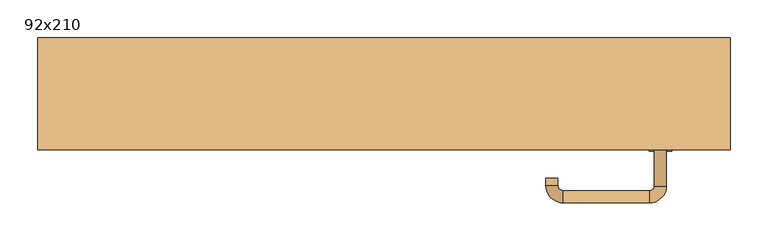
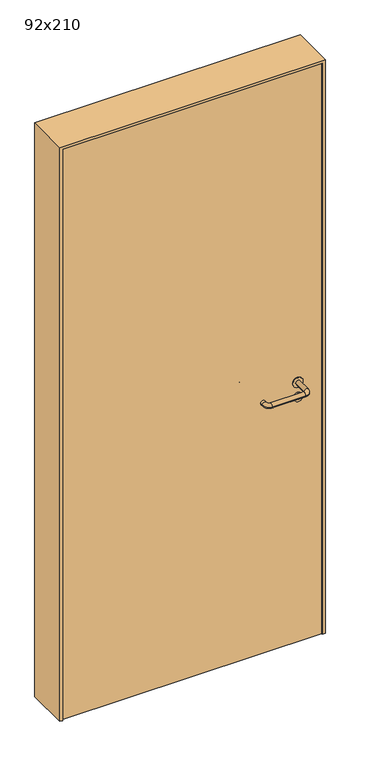
"""IFC4 building model written with IfcOpenShell, lengths in millimetres: door geometry, 92x210."""

import ifcopenshell
import ifcopenshell.guid

model = None  # the IFC model being written
_history = None  # IfcOwnerHistory: only IFC2X3 demands one
_inside = {}  # id of a spatial element -> (the spatial element, [elements in it])
_under = {}  # id of a project, library or spatial element -> (it, [spatial elements below it])
_declared = {}  # id of a project -> (the project, [libraries it declares])
_typed = {}  # id of a type object -> (the type object, [elements of that type])
_made_of = {}  # id of a material, layer set ... -> (it, [elements and type objects made of it])


def new_model(schema):
    """Start an empty IFC model of exactly this schema.

    Asked for "IFC4X3", IfcOpenShell would pick the latest addendum, in which some entities
    have other attributes; the version numbers below select the first issue.
    IFC2X3 requires an IfcOwnerHistory on every rooted entity: one is made here for all.
    """
    global model, _history
    if schema == "IFC4X3":
        model = ifcopenshell.file(schema_version=(4, 3, 0, 0))
    else:
        model = ifcopenshell.file(schema=schema)
    _inside.clear()
    _under.clear()
    _declared.clear()
    _typed.clear()
    _made_of.clear()
    _history = None
    if model.schema == "IFC2X3":
        org = make("IfcOrganization", Name="unknown")
        user = make(
            "IfcPersonAndOrganization",
            ThePerson=make("IfcPerson", FamilyName="unknown"),
            TheOrganization=org,
        )
        app = make(
            "IfcApplication",
            ApplicationDeveloper=org,
            Version="unknown",
            ApplicationFullName="unknown",
            ApplicationIdentifier="unknown",
        )
        _history = make(
            "IfcOwnerHistory",
            OwningUser=user,
            OwningApplication=app,
            ChangeAction="ADDED",
            CreationDate=0,
        )
    return model


def make(cls, **values):
    """One entity of the class cls with the attributes given. An attribute that is None is left unset."""
    return model.create_entity(
        cls, **{name: value for name, value in values.items() if value is not None}
    )


def rooted(cls, **values):
    """An entity with a GlobalId (a new one), such as an element, a storey or a relation."""
    return make(cls, GlobalId=ifcopenshell.guid.new(), OwnerHistory=_history, **values)


def si_unit(unit_type, name, prefix=None):
    """IfcSIUnit, for example si_unit("LENGTHUNIT", "METRE", prefix="MILLI")."""
    return make("IfcSIUnit", UnitType=unit_type, Prefix=prefix, Name=name)


def assignment(units):
    """IfcUnitAssignment: the units of a project."""
    return None if units is None else make("IfcUnitAssignment", Units=units)


def point(xyz):
    """IfcCartesianPoint."""
    return None if xyz is None else make("IfcCartesianPoint", Coordinates=xyz)


def direction(xyz):
    """IfcDirection."""
    return None if xyz is None else make("IfcDirection", DirectionRatios=xyz)


def frame(location, z_axis=None, x_axis=None):
    """IfcAxis2Placement3D, a coordinate frame: its origin and axes. An axis left out is left unset."""
    return make(
        "IfcAxis2Placement3D",
        Location=point(location),
        Axis=direction(z_axis),
        RefDirection=direction(x_axis),
    )


def frame_2d(location, x_axis=None):
    """IfcAxis2Placement2D, a coordinate frame in the plane: its origin and x axis."""
    return make(
        "IfcAxis2Placement2D", Location=point(location), RefDirection=direction(x_axis)
    )


def origin():
    """The frame at (0, 0, 0) with its axes left unset."""
    return frame((0.0, 0.0, 0.0))


def origin_with_axes():
    """The frame at (0, 0, 0) with the z axis (0, 0, 1) and the x axis (1, 0, 0) written out."""
    return frame((0.0, 0.0, 0.0), z_axis=(0.0, 0.0, 1.0), x_axis=(1.0, 0.0, 0.0))


def place(relative_to, where):
    """IfcLocalPlacement: puts the frame where relative to a parent placement (None: the world)."""
    return make(
        "IfcLocalPlacement", PlacementRelTo=relative_to, RelativePlacement=where
    )


def context(
    kind, dimensions, precision=None, world=None, true_north=None, identifier=None
):
    """IfcGeometricRepresentationContext, for example the 3D "Model" context."""
    return make(
        "IfcGeometricRepresentationContext",
        ContextIdentifier=identifier,
        ContextType=kind,
        CoordinateSpaceDimension=dimensions,
        Precision=precision,
        WorldCoordinateSystem=world,
        TrueNorth=true_north,
    )


def project(units=None, contexts=None):
    """IfcProject with its units and contexts."""
    return rooted(
        "IfcProject",
        Name="project",
        RepresentationContexts=contexts,
        UnitsInContext=assignment(units),
    )


def spatial(cls, under=None, at=None, **own):
    """A site, building, storey or space (cls), placed at a placement, below another one or the project."""
    s = rooted(cls, ObjectPlacement=at, **own)
    if under is not None:
        _under.setdefault(under.id(), (under, []))[1].append(s)
    return s


def polyline(points):
    """IfcPolyline through the points."""
    return make("IfcPolyline", Points=[point(p) for p in points])


def circle_curve(where, radius):
    """IfcCircle in the frame where."""
    return make("IfcCircle", Position=where, Radius=radius)


def ellipse_curve(where, semi_axis1, semi_axis2):
    """IfcEllipse in the frame where."""
    return make(
        "IfcEllipse", Position=where, SemiAxis1=semi_axis1, SemiAxis2=semi_axis2
    )


def trimmed(basis, trim1, trim2, sense, master):
    """IfcTrimmedCurve: the piece of a basis curve between two trims."""
    return make(
        "IfcTrimmedCurve",
        BasisCurve=basis,
        Trim1=trim1,
        Trim2=trim2,
        SenseAgreement=sense,
        MasterRepresentation=master,
    )


def segment(curve, same_sense, transition):
    """IfcCompositeCurveSegment."""
    return make(
        "IfcCompositeCurveSegment",
        Transition=transition,
        SameSense=same_sense,
        ParentCurve=curve,
    )


def composite_curve(segments, self_intersect=None):
    """IfcCompositeCurve: segments joined end to end."""
    return make("IfcCompositeCurve", Segments=segments, SelfIntersect=self_intersect)


def outline(outer, holes=None, kind="AREA"):
    """IfcArbitraryClosedProfileDef: a profile drawn as a closed curve; with holes, ...WithVoids."""
    if holes is None:
        return make("IfcArbitraryClosedProfileDef", ProfileType=kind, OuterCurve=outer)
    return make(
        "IfcArbitraryProfileDefWithVoids",
        ProfileType=kind,
        OuterCurve=outer,
        InnerCurves=holes,
    )


def extrude(swept, where, along, depth):
    """IfcExtrudedAreaSolid: the profile swept, set in the frame where, extruded along a direction by depth."""
    return make(
        "IfcExtrudedAreaSolid",
        SweptArea=swept,
        Position=where,
        ExtrudedDirection=direction(along),
        Depth=depth,
    )


def shape(context_of_items, identifier, shape_type, items):
    """IfcShapeRepresentation: the items that make up one representation, for example the "Body"."""
    return make(
        "IfcShapeRepresentation",
        ContextOfItems=context_of_items,
        RepresentationIdentifier=identifier,
        RepresentationType=shape_type,
        Items=items,
    )


def source(mapping_origin, context_of_items, identifier, shape_type, items):
    """IfcRepresentationMap: a shape defined once, which mapped items show again and again."""
    return make(
        "IfcRepresentationMap",
        MappingOrigin=mapping_origin,
        MappedRepresentation=shape(context_of_items, identifier, shape_type, items),
    )


def transform(
    local_origin,
    x_axis=None,
    y_axis=None,
    z_axis=None,
    scale=None,
    scale2=None,
    scale3=None,
    uniform=True,
):
    """IfcCartesianTransformationOperator3D, or its non-uniform kind. x_axis, y_axis, z_axis: its Axis1, 2, 3."""
    if uniform:
        return make(
            "IfcCartesianTransformationOperator3D",
            Axis1=direction(x_axis),
            Axis2=direction(y_axis),
            LocalOrigin=point(local_origin),
            Scale=scale,
            Axis3=direction(z_axis),
        )
    return make(
        "IfcCartesianTransformationOperator3DnonUniform",
        Axis1=direction(x_axis),
        Axis2=direction(y_axis),
        LocalOrigin=point(local_origin),
        Scale=scale,
        Axis3=direction(z_axis),
        Scale2=scale2,
        Scale3=scale3,
    )


def mapped(mapping_source, mapping_target):
    """IfcMappedItem: shows the shape of a source again, moved by a transform."""
    return make(
        "IfcMappedItem", MappingSource=mapping_source, MappingTarget=mapping_target
    )


def made_of(thing, what):
    """Note that an element or type object is made of a material, layer set ...; save() writes the relation."""
    if what is not None:
        _made_of.setdefault(what.id(), (what, []))[1].append(thing)
    return thing


def element(
    cls,
    number,
    at=None,
    inside=None,
    cuts=None,
    type_object=None,
    material=None,
    context=None,
    identifier="Body",
    shape_type=None,
    held_by="IfcProductDefinitionShape",
    body=None,
    shapes=None,
    **own,
):
    """One element of the class cls, such as IfcWall. Its Tag is "e" and its number.

    at: its placement. inside: the storey or other place that contains it. cuts: it is an
    opening in that element (IfcRelVoidsElement). A single representation is given by context,
    identifier, shape_type and body (its items); several are given by shapes. held_by: the class
    of the entity that holds the representations. save() writes the other relations.
    """
    e = rooted(cls, Tag="e%d" % number, ObjectPlacement=at, **own)
    if body is not None:
        shapes = [shape(context, identifier, shape_type, body)]
    if shapes is not None:
        e.Representation = make(held_by, Representations=shapes)
    if inside is not None:
        _inside.setdefault(inside.id(), (inside, []))[1].append(e)
    if cuts is not None:
        rooted(
            "IfcRelVoidsElement", RelatingBuildingElement=cuts, RelatedOpeningElement=e
        )
    if type_object is not None:
        _typed.setdefault(type_object.id(), (type_object, []))[1].append(e)
    return made_of(e, material)


def aggregate(whole, parts):
    """IfcRelAggregates: a whole, such as a stair, and the parts it consists of."""
    return rooted("IfcRelAggregates", RelatingObject=whole, RelatedObjects=parts)


def save(model, path):
    """Write the relations noted so far, then the file.

    IfcRelAggregates (storeys below a building ...), IfcRelContainedInSpatialStructure (elements
    in a storey), IfcRelDefinesByType, IfcRelAssociatesMaterial and IfcRelDeclares: one each for
    every whole, place, type object, material and project.
    """
    for whole, parts in _under.values():
        aggregate(whole, parts)
    for where, things in _inside.values():
        rooted(
            "IfcRelContainedInSpatialStructure",
            RelatedElements=things,
            RelatingStructure=where,
        )
    for kind, things in _typed.values():
        rooted("IfcRelDefinesByType", RelatedObjects=things, RelatingType=kind)
    for what, things in _made_of.values():
        rooted("IfcRelAssociatesMaterial", RelatedObjects=things, RelatingMaterial=what)
    for by, libraries in _declared.values():
        rooted("IfcRelDeclares", RelatingContext=by, RelatedDefinitions=libraries)
    model.write(path)


def plane_surface(at):
    """IfcPlane: the flat surface through the origin of the frame at, square to its z axis."""
    return make("IfcPlane", Position=at)


def cylinder_surface(at, radius):
    """IfcCylindricalSurface: all points at the distance radius from the z axis of the frame at."""
    return make("IfcCylindricalSurface", Position=at, Radius=radius)


def revolved_surface(curve, axis_point, axis_direction):
    """IfcSurfaceOfRevolution: the curve turned about the line through axis_point along axis_direction."""
    return make(
        "IfcSurfaceOfRevolution",
        SweptCurve=make("IfcArbitraryOpenProfileDef", ProfileType="CURVE", Curve=curve),
        AxisPosition=make("IfcAxis1Placement", Location=point(axis_point), Axis=direction(axis_direction)),
    )


def advanced_brep(points, edges, surfaces, faces):
    """IfcAdvancedBrep: a solid bounded by faces that lie on surfaces and meet in shared edges.

    An edge is (start, end): straight between two places in points (the first is 0);
    or (start, end, curve); or (start, end, curve, False) where it runs against its curve.
    A face is (place in surfaces, loops), or (place, loops, False) where it looks against
    its surface's normal. A loop lists edges by number (the first is 1), with a minus sign
    where the edge is run from its end to its start. The first loop is the outer one.
    """
    corners = [point(p) for p in points]
    vertices = [make("IfcVertexPoint", VertexGeometry=c) for c in corners]
    made = []
    for start, end, *more in edges:
        made.append(
            make(
                "IfcEdgeCurve",
                EdgeStart=vertices[start],
                EdgeEnd=vertices[end],
                EdgeGeometry=more[0] if more else make("IfcPolyline", Points=[corners[start], corners[end]]),
                SameSense=more[1] if len(more) > 1 else True,
            )
        )
    hull = []
    for where, loops, *sense in faces:
        bounds = []
        for j, loop in enumerate(loops):
            ring = [make("IfcOrientedEdge", EdgeElement=made[abs(k) - 1], Orientation=k > 0) for k in loop]
            bounds.append(
                make(
                    "IfcFaceOuterBound" if j == 0 else "IfcFaceBound",
                    Bound=make("IfcEdgeLoop", EdgeList=ring),
                    Orientation=True,
                )
            )
        hull.append(make("IfcAdvancedFace", Bounds=bounds, FaceSurface=surfaces[where], SameSense=sense[0] if sense else True))
    return make("IfcAdvancedBrep", Outer=make("IfcClosedShell", CfsFaces=hull))


def door_92x210_9a803c24(model_context):
    return source(origin(), model_context, "Body", "SolidModel", [
        extrude(outline(composite_curve([segment(trimmed(circle_curve(frame_2d((897.3605726, 367.0)), 15.0), [point((897.3605726, 382.0))], [point((897.3605726, 352.0))], False, "CARTESIAN"), True, "CONTINUOUS"), segment(trimmed(circle_curve(frame_2d((897.3605726, 367.0)), 15.0), [point((897.3605726, 352.0))], [point((897.3605726, 382.0))], False, "CARTESIAN"), True, "CONTINUOUS")], self_intersect=False), holes=[composite_curve([segment(trimmed(circle_curve(frame_2d((892.5833211, 366.9398032)), 2.0), [point((892.5833211, 368.9398032))], [point((892.5833211, 364.9398032))], True, "CARTESIAN"), True, "CONTINUOUS"), segment(polyline([(892.5833211, 364.9398032), (902.5833211, 364.9398032)]), True, "CONTINUOUS"), segment(trimmed(circle_curve(frame_2d((902.5833211, 366.9398032)), 2.0), [point((902.5833211, 364.9398032))], [point((902.5833211, 368.9398032))], True, "CARTESIAN"), True, "CONTINUOUS"), segment(polyline([(902.5833211, 368.9398032), (892.5833211, 368.9398032)]), True, "CONTINUOUS")], self_intersect=False)]), frame((0.0, -40.0, 0.0), z_axis=(0.0, 1.0, 0.0), x_axis=(0.0, 0.0, 1.0)), (0.0, 0.0, 1.0), 6.35),
        extrude(outline(composite_curve([segment(trimmed(circle_curve(frame_2d((950.0, 367.0)), 17.526), [point((950.0, 384.526))], [point((950.0, 349.474))], False, "CARTESIAN"), True, "CONTINUOUS"), segment(trimmed(circle_curve(frame_2d((950.0, 367.0)), 17.526), [point((950.0, 349.474))], [point((950.0, 384.526))], False, "CARTESIAN"), True, "CONTINUOUS")], self_intersect=False)), frame((0.0, -40.0, 0.0), z_axis=(0.0, 1.0, 0.0), x_axis=(0.0, 0.0, 1.0)), (0.0, 0.0, 1.0), 3.175),
        advanced_brep(
        [(375.0, -40.0, 950.0), (359.0, -40.0, 950.0), (375.0, 13.0, 950.0), (359.0, 13.0, 950.0), (352.8578644, 19.1421356, 950.0), (352.8578644, 35.1421356, 950.0), (237.8578644, 35.1421356, 950.0), (237.8578644, 19.1421356, 950.0), (231.008622, 12.2928932, 950.0), (215.008622, 12.2928932, 950.0), (215.008622, 2.2928932, 950.0), (231.008622, 2.2928932, 950.0)],
        [
            (0, 1, circle_curve(frame((367.0, -40.0, 950.0), z_axis=(0.0, -1.0, 0.0), x_axis=(-1.0, 0.0, 0.0)), 8.0)),
            (1, 0, circle_curve(frame((367.0, -40.0, 950.0), z_axis=(0.0, -1.0, 0.0), x_axis=(-1.0, 0.0, 0.0)), 8.0)),
            (0, 2),
            (2, 3, circle_curve(frame((367.0, 13.0, 950.0), z_axis=(0.0, -1.0, 0.0), x_axis=(-1.0, 0.0, 0.0)), 8.0)),
            (3, 1),
            (3, 2, circle_curve(frame((367.0, 13.0, 950.0), z_axis=(0.0, -1.0, 0.0), x_axis=(-1.0, 0.0, 0.0)), 8.0)),
            (4, 3, circle_curve(frame((352.8578644, 13.0, 950.0), z_axis=(0.0, 0.0, -1.0), x_axis=(1.0, 0.0, 0.0)), 6.1421356)),
            (2, 5, circle_curve(frame((352.8578644, 13.0, 950.0), z_axis=(0.0, 0.0, 1.0), x_axis=(1.0, 0.0, 0.0)), 22.1421356)),
            (5, 4, circle_curve(frame((352.8578644, 27.1421356, 950.0), z_axis=(1.0, 0.0, 0.0), x_axis=(0.0, -1.0, 0.0)), 8.0)),
            (4, 5, circle_curve(frame((352.8578644, 27.1421356, 950.0), z_axis=(1.0, 0.0, 0.0), x_axis=(0.0, -1.0, 0.0)), 8.0)),
            (5, 6),
            (6, 7, circle_curve(frame((237.8578644, 27.1421356, 950.0), z_axis=(1.0, 0.0, 0.0), x_axis=(0.0, -1.0, 0.0)), 8.0)),
            (7, 4),
            (7, 6, circle_curve(frame((237.8578644, 27.1421356, 950.0), z_axis=(1.0, 0.0, 0.0), x_axis=(0.0, -1.0, 0.0)), 8.0)),
            (8, 7, circle_curve(frame((237.8578644, 12.2928932, 950.0), z_axis=(0.0, 0.0, -1.0), x_axis=(0.0, 1.0, 0.0)), 6.8492424)),
            (6, 9, circle_curve(frame((237.8578644, 12.2928932, 950.0), z_axis=(0.0, 0.0, 1.0), x_axis=(0.0, 1.0, 0.0)), 22.8492424)),
            (9, 8, circle_curve(frame((223.008622, 12.2928932, 950.0), z_axis=(0.0, 1.0, 0.0), x_axis=(1.0, 0.0, 0.0)), 8.0)),
            (8, 9, circle_curve(frame((223.008622, 12.2928932, 950.0), z_axis=(0.0, 1.0, 0.0), x_axis=(1.0, 0.0, 0.0)), 8.0)),
            (10, 11, circle_curve(frame((223.008622, 2.2928932, 950.0), z_axis=(0.0, -1.0, 0.0), x_axis=(1.0, 0.0, 0.0)), 8.0)),
            (11, 10, circle_curve(frame((223.008622, 2.2928932, 950.0), z_axis=(0.0, -1.0, 0.0), x_axis=(1.0, 0.0, 0.0)), 8.0)),
            (9, 10),
            (11, 8),
        ],
        [
            plane_surface(frame((367.0, -40.0, 0.0), z_axis=(0.0, -1.0, 0.0), x_axis=(0.0, 0.0, 1.0))),
            cylinder_surface(frame((367.0, -40.0, 950.0), z_axis=(0.0, -1.0, 0.0), x_axis=(-1.0, 0.0, 0.0)), 8.0),
            revolved_surface(trimmed(ellipse_curve(frame((367.0, 13.0, 950.0), z_axis=(0.0, -1.0, 0.0), x_axis=(-1.0, 0.0, 0.0)), 8.0, 8.0), [point((375.0, 13.0, 950.0))], [point((359.0, 13.0, 950.0))], True, "CARTESIAN"), (352.8578644, 13.0, 0.0), (0.0, 0.0, 1.0)),
            revolved_surface(trimmed(ellipse_curve(frame((367.0, 13.0, 950.0), z_axis=(0.0, -1.0, 0.0), x_axis=(-1.0, 0.0, 0.0)), 8.0, 8.0), [point((359.0, 13.0, 950.0))], [point((375.0, 13.0, 950.0))], True, "CARTESIAN"), (352.8578644, 13.0, 0.0), (0.0, 0.0, 1.0)),
            cylinder_surface(frame((352.8578644, 27.1421356, 950.0), z_axis=(1.0, 0.0, 0.0), x_axis=(0.0, -1.0, 0.0)), 8.0),
            revolved_surface(trimmed(ellipse_curve(frame((237.8578644, 27.1421356, 950.0), z_axis=(1.0, 0.0, 0.0), x_axis=(0.0, -1.0, 0.0)), 8.0, 8.0), [point((237.8578644, 35.1421356, 950.0))], [point((237.8578644, 19.1421356, 950.0))], True, "CARTESIAN"), (237.8578644, 12.2928932, 0.0), (0.0, 0.0, 1.0)),
            revolved_surface(trimmed(ellipse_curve(frame((237.8578644, 27.1421356, 950.0), z_axis=(1.0, 0.0, 0.0), x_axis=(0.0, -1.0, 0.0)), 8.0, 8.0), [point((237.8578644, 19.1421356, 950.0))], [point((237.8578644, 35.1421356, 950.0))], True, "CARTESIAN"), (237.8578644, 12.2928932, 0.0), (0.0, 0.0, 1.0)),
            plane_surface(frame((223.008622, 2.2928932, 0.0), z_axis=(0.0, -1.0, 0.0), x_axis=(0.0, 0.0, 1.0))),
            cylinder_surface(frame((223.008622, 12.2928932, 950.0), z_axis=(0.0, 1.0, 0.0), x_axis=(1.0, 0.0, 0.0)), 8.0),
        ],
        [
            (0, [[1, 2]]),
            (1, [[-1, 3, 4, 5]]),
            (1, [[-2, -5, 6, -3]]),
            (2, [[7, -4, 8, 9]]),
            (3, [[-8, -6, -7, 10]]),
            (4, [[-9, 11, 12, 13]]),
            (4, [[-10, -13, 14, -11]]),
            (5, [[15, -12, 16, 17]]),
            (6, [[-16, -14, -15, 18]]),
            (7, [[19, 20]]),
            (8, [[-17, 21, -20, 22]]),
            (8, [[-18, -22, -19, -21]]),
        ],
    ),
        extrude(outline(composite_curve([segment(trimmed(circle_curve(frame_2d((0.0, 15.0)), 15.0), [point((0.0, 30.0))], [point((0.0, 0.0))], False, "CARTESIAN"), True, "CONTINUOUS"), segment(trimmed(circle_curve(frame_2d((0.0, 15.0)), 15.0), [point((0.0, 0.0))], [point((0.0, 30.0))], False, "CARTESIAN"), True, "CONTINUOUS")], self_intersect=False), holes=[composite_curve([segment(trimmed(circle_curve(frame_2d((-4.7772515, 14.9398032)), 2.0), [point((-4.7772515, 16.9398032))], [point((-4.7772515, 12.9398032))], True, "CARTESIAN"), True, "CONTINUOUS"), segment(polyline([(-4.7772515, 12.9398032), (5.2227485, 12.9398032)]), True, "CONTINUOUS"), segment(trimmed(circle_curve(frame_2d((5.2227485, 14.9398032)), 2.0), [point((5.2227485, 12.9398032))], [point((5.2227485, 16.9398032))], True, "CARTESIAN"), True, "CONTINUOUS"), segment(polyline([(5.2227485, 16.9398032), (-4.7772515, 16.9398032)]), True, "CONTINUOUS")], self_intersect=False)]), frame((352.0, -76.35, 897.3605726), z_axis=(-1.8870575173328306e-12, 1.0, 0.0), x_axis=(0.0, 0.0, 1.0)), (0.0, 0.0, 1.0), 6.35),
        extrude(outline(composite_curve([segment(trimmed(circle_curve(frame_2d((0.0, 17.526)), 17.526), [point((0.0, 35.052))], [point((0.0, 0.0))], False, "CARTESIAN"), True, "CONTINUOUS"), segment(trimmed(circle_curve(frame_2d((0.0, 17.526)), 17.526), [point((0.0, 0.0))], [point((0.0, 35.052))], False, "CARTESIAN"), True, "CONTINUOUS")], self_intersect=False)), frame((349.474, -73.175, 950.0), z_axis=(-1.8870575173328306e-12, 1.0, 0.0), x_axis=(0.0, 0.0, 1.0)), (0.0, 0.0, 1.0), 3.175),
        advanced_brep(
        [(375.0, -70.0, 950.0), (359.0, -70.0, 950.0), (359.0, -123.0, 950.0), (375.0, -123.0, 950.0), (352.8578644, -129.1421356, 950.0), (352.8578644, -145.1421356, 950.0), (237.8578644, -129.1421356, 950.0), (237.8578644, -145.1421356, 950.0), (231.008622, -122.2928932, 950.0), (215.008622, -122.2928932, 950.0), (215.008622, -112.2928932, 950.0), (231.008622, -112.2928932, 950.0)],
        [
            (0, 1, circle_curve(frame((367.0, -70.0, 950.0), z_axis=(-1.888672253512351e-12, 1.0, 0.0), x_axis=(-1.0, -1.888672253512351e-12, 0.0)), 8.0)),
            (1, 0, circle_curve(frame((367.0, -70.0, 950.0), z_axis=(-1.888672253512351e-12, 1.0, 0.0), x_axis=(-1.0, -1.888672253512351e-12, 0.0)), 8.0)),
            (1, 2),
            (2, 3, circle_curve(frame((367.0, -123.0, 950.0), z_axis=(-1.888672253512351e-12, 1.0, 0.0), x_axis=(-1.0, -1.888672253512351e-12, 0.0)), 8.0)),
            (3, 0),
            (3, 2, circle_curve(frame((367.0, -123.0, 950.0), z_axis=(-1.888672253512351e-12, 1.0, 0.0), x_axis=(-1.0, -1.888672253512351e-12, 0.0)), 8.0)),
            (4, 5, circle_curve(frame((352.8578644, -137.1421356, 950.0), z_axis=(1.0, 1.913702061528922e-12, 0.0), x_axis=(-1.913702061528922e-12, 1.0, 0.0)), 8.0)),
            (5, 3, circle_curve(frame((352.8578644, -123.0, 950.0), z_axis=(0.0, 0.0, 1.0), x_axis=(1.0, 1.880717803715015e-12, 0.0)), 22.1421356)),
            (2, 4, circle_curve(frame((352.8578644, -123.0, 950.0), z_axis=(0.0, 0.0, -1.0), x_axis=(1.0, 1.880717803715015e-12, 0.0)), 6.1421356)),
            (5, 4, circle_curve(frame((352.8578644, -137.1421356, 950.0), z_axis=(1.0, 1.913702061528922e-12, 0.0), x_axis=(-1.913702061528922e-12, 1.0, 0.0)), 8.0)),
            (4, 6),
            (6, 7, circle_curve(frame((237.8578644, -137.1421356, 950.0), z_axis=(1.0, 1.913719828541269e-12, 0.0), x_axis=(-1.913719828541269e-12, 1.0, 0.0)), 8.0)),
            (7, 5),
            (7, 6, circle_curve(frame((237.8578644, -137.1421356, 950.0), z_axis=(1.0, 1.913719828541269e-12, 0.0), x_axis=(-1.913719828541269e-12, 1.0, 0.0)), 8.0)),
            (8, 9, circle_curve(frame((223.008622, -122.2928932, 950.0), z_axis=(1.8888942981172756e-12, -1.0, 0.0), x_axis=(1.0, 1.8888942981172756e-12, 0.0)), 8.0)),
            (9, 7, circle_curve(frame((237.8578644, -122.2928932, 950.0), z_axis=(0.0, 0.0, 1.0), x_axis=(1.9120873253494017e-12, -1.0, 0.0)), 22.8492424)),
            (6, 8, circle_curve(frame((237.8578644, -122.2928932, 950.0), z_axis=(0.0, 0.0, -1.0), x_axis=(1.9120873253494017e-12, -1.0, 0.0)), 6.8492424)),
            (9, 8, circle_curve(frame((223.008622, -122.2928932, 950.0), z_axis=(1.890448610351751e-12, -1.0, 0.0), x_axis=(1.0, 1.890448610351751e-12, 0.0)), 8.0)),
            (10, 11, circle_curve(frame((223.008622, -112.2928932, 950.0), z_axis=(-1.8903642334018795e-12, 1.0, 0.0), x_axis=(1.0, 1.8903642334018795e-12, 0.0)), 8.0)),
            (11, 10, circle_curve(frame((223.008622, -112.2928932, 950.0), z_axis=(-1.8903642334018795e-12, 1.0, 0.0), x_axis=(1.0, 1.8903642334018795e-12, 0.0)), 8.0)),
            (8, 11),
            (10, 9),
        ],
        [
            plane_surface(frame((367.0, -70.0, 0.0), z_axis=(-1.8870575173328306e-12, 1.0, 0.0), x_axis=(0.0, 0.0, 1.0))),
            cylinder_surface(frame((367.0, -70.0, 950.0), z_axis=(-1.888672253512351e-12, 1.0, 0.0), x_axis=(-1.0, -1.888672253512351e-12, 0.0)), 8.0),
            revolved_surface(trimmed(ellipse_curve(frame((367.0, -123.0, 950.0), z_axis=(1.8823325398945356e-12, -1.0, 0.0), x_axis=(-1.0, -1.8823325398945356e-12, 0.0)), 8.0, 8.0), [point((375.0, -123.0, 950.0))], [point((359.0, -123.0, 950.0))], True, "CARTESIAN"), (352.8578644, -123.0, 0.0), (0.0, 0.0, 1.0)),
            revolved_surface(trimmed(ellipse_curve(frame((367.0, -123.0, 950.0), z_axis=(1.8823325398945356e-12, -1.0, 0.0), x_axis=(-1.0, -1.8823325398945356e-12, 0.0)), 8.0, 8.0), [point((359.0, -123.0, 950.0))], [point((375.0, -123.0, 950.0))], True, "CARTESIAN"), (352.8578644, -123.0, 0.0), (0.0, 0.0, 1.0)),
            cylinder_surface(frame((352.8578644, -137.1421356, 950.0), z_axis=(1.0, 1.913719828541269e-12, 0.0), x_axis=(-1.913719828541269e-12, 1.0, 0.0)), 8.0),
            revolved_surface(trimmed(ellipse_curve(frame((237.8578644, -137.1421356, 950.0), z_axis=(-1.0, -1.913702061528922e-12, 0.0), x_axis=(-1.913702061528922e-12, 1.0, 0.0)), 8.0, 8.0), [point((237.8578644, -145.1421356, 950.0))], [point((237.8578644, -129.1421356, 950.0))], True, "CARTESIAN"), (237.8578644, -122.2928932, 0.0), (0.0, 0.0, 1.0)),
            revolved_surface(trimmed(ellipse_curve(frame((237.8578644, -137.1421356, 950.0), z_axis=(-1.0, -1.913702061528922e-12, 0.0), x_axis=(-1.913702061528922e-12, 1.0, 0.0)), 8.0, 8.0), [point((237.8578644, -129.1421356, 950.0))], [point((237.8578644, -145.1421356, 950.0))], True, "CARTESIAN"), (237.8578644, -122.2928932, 0.0), (0.0, 0.0, 1.0)),
            plane_surface(frame((223.008622, -112.2928932, 0.0), z_axis=(-1.8887494972223595e-12, 1.0, 0.0), x_axis=(0.0, 0.0, 1.0))),
            cylinder_surface(frame((223.008622, -122.2928932, 950.0), z_axis=(1.8903642334018795e-12, -1.0, 0.0), x_axis=(1.0, 1.8903642334018795e-12, 0.0)), 8.0),
        ],
        [
            (0, [[1, 2]]),
            (1, [[3, 4, 5, -2]]),
            (1, [[-5, 6, -3, -1]]),
            (2, [[7, 8, -4, 9]]),
            (3, [[10, -9, -6, -8]]),
            (4, [[11, 12, 13, -7]]),
            (4, [[-13, 14, -11, -10]]),
            (5, [[15, 16, -12, 17]]),
            (6, [[18, -17, -14, -16]]),
            (7, [[19, 20]]),
            (8, [[21, -19, 22, -15]]),
            (8, [[-22, -20, -21, -18]]),
        ],
    ),
        extrude(outline(polyline([(2090.0, 450.0), (0.0, 450.0), (0.0, 460.0), (2100.0, 460.0), (2100.0, -460.0), (0.0, -460.0), (0.0, -450.0), (2090.0, -450.0), (2090.0, 450.0)])), frame((0.0, -75.0, 0.0), z_axis=(0.0, 1.0, 0.0), x_axis=(0.0, 0.0, 1.0)), (0.0, 0.0, 1.0), 149.0),
        extrude(outline(polyline([(-450.0, -70.0), (-450.0, -40.0), (450.0, -40.0), (450.0, -70.0), (-450.0, -70.0)])), origin_with_axes(), (0.0, 0.0, 1.0), 2090.0),
    ])


if __name__ == "__main__":
    model = new_model("IFC4")
    model_context = context("Model", 3, world=origin())
    ifc_project = project(units=[si_unit("LENGTHUNIT", "METRE", prefix="MILLI")], contexts=[model_context])
    site = spatial("IfcSite", under=ifc_project)
    building = spatial("IfcBuilding", under=site)
    placement = place(None, origin())
    door_92x210_shape = door_92x210_9a803c24(model_context)
    element("IfcDoor", 1, ObjectType="92x210", at=placement, inside=building, context=model_context, shape_type="MappedRepresentation", body=[
        mapped(door_92x210_shape, transform((0.0, 0.0, 0.0), x_axis=(1.0, 0.0, 0.0), y_axis=(0.0, 1.0, 0.0), z_axis=(0.0, 0.0, 1.0))),
    ])
    save(model, "model.ifc")
